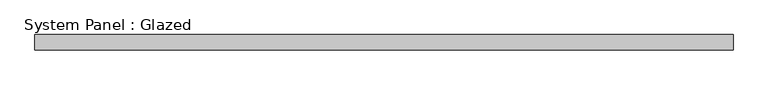
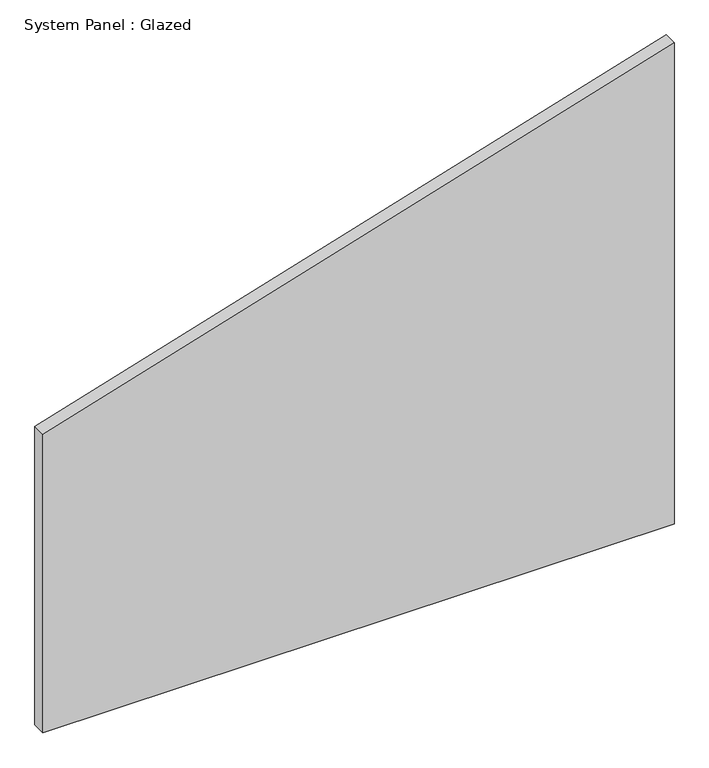
"""IFC4 building model written with IfcOpenShell, lengths in millimetres: plate geometry, System Panel : Glazed."""

from ifc_helpers import new_model, si_unit, frame, origin, place, context, project, spatial, polyline, outline, extrude, source, transform, mapped, element, save


def system_panel_glazed_abe5f1c0(model_context):
    return source(origin(), model_context, "Body", "SweptSolid", [
        extrude(outline(polyline([(0.0, -573.8563296), (0.0, 573.8563296), (925.1530557, 573.8563296), (573.2764677, -573.8563296), (0.0, -573.8563296)])), frame((0.0, 19.05, 0.0), z_axis=(0.0, 1.0, 0.0), x_axis=(0.0, 0.0, 1.0)), (0.0, 0.0, 1.0), 25.4),
    ])


if __name__ == "__main__":
    model = new_model("IFC4")
    model_context = context("Model", 3, world=origin())
    ifc_project = project(units=[si_unit("LENGTHUNIT", "METRE", prefix="MILLI")], contexts=[model_context])
    site = spatial("IfcSite", under=ifc_project)
    building = spatial("IfcBuilding", under=site)
    placement = place(None, origin())
    system_panel_glazed_shape = system_panel_glazed_abe5f1c0(model_context)
    element("IfcPlate", 1, ObjectType="System Panel : Glazed", at=placement, inside=building, context=model_context, shape_type="MappedRepresentation", body=[
        mapped(system_panel_glazed_shape, transform((0.0, 0.0, 0.0), x_axis=(1.0, 0.0, 0.0), y_axis=(0.0, 1.0, 0.0), z_axis=(0.0, 0.0, 1.0))),
    ])
    save(model, "model.ifc")
